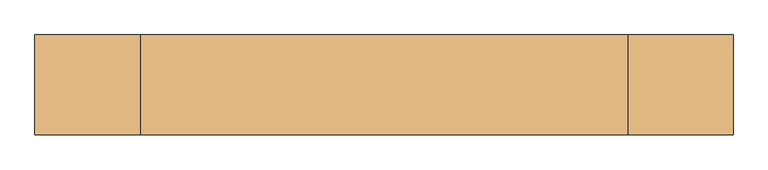
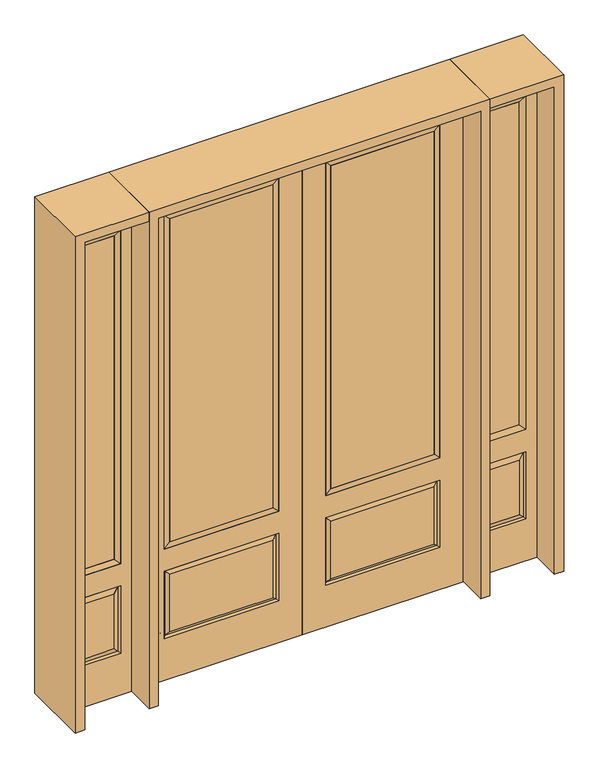
"""IFC4 building model written with IfcOpenShell, lengths in millimetres: door geometry."""

from ifc_helpers import new_model, si_unit, frame, origin, place, context, project, spatial, polyline, outline, extrude, faceted_brep, source, transform, mapped, element, save


def door_8e68d032(model_context):
    return source(origin(), model_context, "Body", "SolidModel", [
        extrude(outline(polyline([(136.525, -20.32), (136.525, 5.08), (625.475, 5.08), (625.475, -20.32), (136.525, -20.32)])), frame((0.0, 0.0, 682.498), z_axis=(0.0, 0.0, 1.0), x_axis=(1.0, 0.0, 0.0)), (0.0, 0.0, 1.0), 1616.202),
        faceted_brep([(643.7661499, -12.7912373, 216.6588501), (626.26875, -22.225, 234.15625), (135.73125, -22.225, 234.15625), (118.2338501, -12.7912373, 216.6588501), (111.125, -22.225, 209.55), (650.875, -22.225, 209.55), (650.875, -22.225, 546.1), (643.7661499, -12.7912373, 538.9911499), (0.0, -22.225, 2438.4), (0.0, -22.225, 0.0), (762.0, -22.225, 0.0), (762.0, -22.225, 2438.4), (111.125, -22.225, 546.1), (111.125, -22.225, 2324.1), (650.875, -22.225, 2324.1), (650.875, -22.225, 657.098), (111.125, -22.225, 657.098), (626.26875, -22.225, 521.49375), (135.73125, -22.225, 521.49375), (118.2338501, -12.7912373, 538.9911499), (762.0, 22.225, 0.0), (762.0, 22.225, 2438.4), (0.0, 22.225, 0.0), (0.0, 22.225, 2438.4), (111.125, 22.225, 657.098), (111.125, 22.225, 2324.1), (650.875, 22.225, 657.098), (650.875, 22.225, 2324.1), (135.73125, 22.225, 234.15625), (135.73125, 22.225, 521.49375), (626.26875, 22.225, 521.49375), (626.26875, 22.225, 234.15625), (650.875, 22.225, 209.55), (650.875, 22.225, 546.1), (111.125, 22.225, 546.1), (111.125, 22.225, 209.55), (118.2338501, 12.7912373, 216.6588501), (643.7661499, 12.7912373, 216.6588501), (118.2338501, 12.7912373, 538.9911499), (643.7661499, 12.7912373, 538.9911499)], [[[0, 1, 2, 3]], [[3, 4, 5, 0]], [[5, 6, 7, 0]], [[8, 9, 10, 11], [4, 12, 6, 5], [13, 14, 15, 16]], [[1, 17, 18, 2]], [[3, 19, 12, 4]], [[2, 18, 19, 3]], [[0, 7, 17, 1]], [[6, 12, 19, 7]], [[7, 19, 18, 17]], [[10, 20, 21, 11]], [[9, 22, 20, 10]], [[8, 23, 22, 9]], [[16, 24, 25, 13]], [[15, 26, 24, 16]], [[14, 27, 26, 15]], [[28, 29, 30, 31]], [[23, 21, 20, 22], [25, 24, 26, 27], [32, 33, 34, 35]], [[32, 35, 36, 37]], [[35, 34, 38, 36]], [[39, 38, 34, 33]], [[37, 39, 33, 32]], [[36, 28, 31, 37]], [[31, 30, 39, 37]], [[30, 29, 38, 39]], [[36, 38, 29, 28]], [[11, 21, 23, 8]], [[13, 25, 27, 14]]]),
        faceted_brep([(650.875, -22.225, 2324.1), (650.875, -22.225, 657.098), (650.875, 22.225, 657.098), (650.875, 22.225, 2324.1), (111.125, -22.225, 657.098), (111.125, 22.225, 657.098), (136.525, 5.08, 682.498), (625.475, 5.08, 682.498), (111.125, -22.225, 2324.1), (111.125, 22.225, 2324.1), (625.475, -20.32, 682.498), (136.525, -20.32, 682.498), (625.475, -20.32, 2298.7), (136.525, -20.32, 2298.7), (625.475, 5.08, 2298.7), (136.525, 5.08, 2298.7)], [[[0, 1, 2, 3]], [[1, 4, 5, 2]], [[2, 5, 6, 7]], [[4, 8, 9, 5]], [[10, 11, 4, 1]], [[12, 10, 1, 0]], [[11, 13, 8, 4]], [[7, 6, 11, 10]], [[14, 7, 10, 12]], [[6, 15, 13, 11]], [[3, 2, 7, 14]], [[5, 9, 15, 6]], [[8, 0, 3, 9]], [[13, 12, 0, 8]], [[15, 14, 12, 13]], [[9, 3, 14, 15]]]),
        faceted_brep([(806.45, -22.225, 0.0), (1111.25, -22.225, 0.0), (1111.25, -22.225, 2438.4), (806.45, -22.225, 2438.4), (1059.18, -22.225, 2325.624), (1059.18, -22.225, 657.098), (858.52, -22.225, 657.098), (858.52, -22.225, 2325.624), (1059.18, -22.225, 209.55), (858.52, -22.225, 209.55), (858.52, -22.225, 546.1), (1059.18, -22.225, 546.1), (890.2351001, -22.225, 241.2651001), (1027.4648999, -22.225, 241.2651001), (1027.4648999, -22.225, 514.3848999), (890.2351001, -22.225, 514.3848999), (806.45, 22.225, 0.0), (806.45, 22.225, 2438.4), (1111.25, 22.225, 2438.4), (1111.25, 22.225, 0.0), (1059.18, 22.225, 2325.624), (858.52, 22.225, 2325.624), (858.52, 22.225, 657.098), (1059.18, 22.225, 657.098), (858.52, 22.225, 209.55), (1059.18, 22.225, 209.55), (1059.18, 22.225, 546.1), (858.52, 22.225, 546.1), (1027.4648999, 22.225, 241.2651001), (890.2351001, 22.225, 241.2651001), (890.2351001, 22.225, 514.3848999), (1027.4648999, 22.225, 514.3848999), (1052.0711499, 12.7912373, 216.6588501), (865.6288501, 12.7912373, 216.6588501), (865.6288501, 12.7912373, 538.9911499), (1052.0711499, 12.7912373, 538.9911499), (865.6288501, -12.7912373, 216.6588501), (1052.0711499, -12.7912373, 216.6588501), (865.6288501, -12.7912373, 538.9911499), (1052.0711499, -12.7912373, 538.9911499)], [[[0, 1, 2, 3], [4, 5, 6, 7], [8, 9, 10, 11]], [[12, 13, 14, 15]], [[16, 17, 18, 19], [20, 21, 22, 23], [24, 25, 26, 27]], [[28, 29, 30, 31]], [[1, 0, 16, 19]], [[2, 1, 19, 18]], [[3, 2, 18, 17]], [[0, 3, 17, 16]], [[5, 4, 20, 23]], [[6, 5, 23, 22]], [[7, 6, 22, 21]], [[4, 7, 21, 20]], [[32, 33, 29, 28]], [[33, 32, 25, 24]], [[29, 33, 34, 30]], [[33, 24, 27, 34]], [[30, 34, 35, 31]], [[34, 27, 26, 35]], [[32, 28, 31, 35]], [[25, 32, 35, 26]], [[12, 36, 37, 13]], [[37, 36, 9, 8]], [[36, 12, 15, 38]], [[9, 36, 38, 10]], [[38, 15, 14, 39]], [[10, 38, 39, 11]], [[13, 37, 39, 14]], [[37, 8, 11, 39]]]),
        faceted_brep([(858.52, 22.225, 2325.624), (858.52, -22.225, 2325.624), (1059.18, -22.225, 2325.624), (1059.18, 22.225, 2325.624), (883.92, 12.7, 2300.224), (1033.78, 12.7, 2300.224), (883.92, -12.7, 2300.224), (1033.78, -12.7, 2300.224), (1059.18, -22.225, 657.098), (1059.18, 22.225, 657.098), (1033.78, 12.7, 682.498), (1033.78, -12.7, 682.498), (858.52, -22.225, 657.098), (858.52, 22.225, 657.098), (883.92, 12.7, 682.498), (883.92, -12.7, 682.498)], [[[0, 1, 2, 3]], [[4, 0, 3, 5]], [[6, 4, 5, 7]], [[1, 6, 7, 2]], [[3, 2, 8, 9]], [[5, 3, 9, 10]], [[7, 5, 10, 11]], [[2, 7, 11, 8]], [[9, 8, 12, 13]], [[10, 9, 13, 14]], [[11, 10, 14, 15]], [[8, 11, 15, 12]], [[13, 12, 1, 0]], [[14, 13, 0, 4]], [[15, 14, 4, 6]], [[12, 15, 6, 1]]]),
        extrude(outline(polyline([(1033.78, -12.7), (883.92, -12.7), (883.92, 12.7), (1033.78, 12.7), (1033.78, -12.7)])), frame((0.0, 0.0, 682.498), z_axis=(0.0, 0.0, 1.0), x_axis=(1.0, 0.0, 0.0)), (0.0, 0.0, 1.0), 1617.726),
        faceted_brep([(-1111.25, -22.225, 0.0), (-806.45, -22.225, 0.0), (-806.45, -22.225, 2438.4), (-1111.25, -22.225, 2438.4), (-858.52, -22.225, 2325.624), (-858.52, -22.225, 657.098), (-1059.18, -22.225, 657.098), (-1059.18, -22.225, 2325.624), (-858.52, -22.225, 209.55), (-1059.18, -22.225, 209.55), (-1059.18, -22.225, 546.1), (-858.52, -22.225, 546.1), (-1027.4648999, -22.225, 241.2651001), (-890.2351001, -22.225, 241.2651001), (-890.2351001, -22.225, 514.3848999), (-1027.4648999, -22.225, 514.3848999), (-1111.25, 22.225, 0.0), (-1111.25, 22.225, 2438.4), (-806.45, 22.225, 2438.4), (-806.45, 22.225, 0.0), (-858.52, 22.225, 2325.624), (-1059.18, 22.225, 2325.624), (-1059.18, 22.225, 657.098), (-858.52, 22.225, 657.098), (-1059.18, 22.225, 209.55), (-858.52, 22.225, 209.55), (-858.52, 22.225, 546.1), (-1059.18, 22.225, 546.1), (-890.2351001, 22.225, 241.2651001), (-1027.4648999, 22.225, 241.2651001), (-1027.4648999, 22.225, 514.3848999), (-890.2351001, 22.225, 514.3848999), (-865.6288501, 12.7912373, 216.6588501), (-1052.0711499, 12.7912373, 216.6588501), (-1052.0711499, 12.7912373, 538.9911499), (-865.6288501, 12.7912373, 538.9911499), (-1052.0711499, -12.7912373, 216.6588501), (-865.6288501, -12.7912373, 216.6588501), (-1052.0711499, -12.7912373, 538.9911499), (-865.6288501, -12.7912373, 538.9911499)], [[[0, 1, 2, 3], [4, 5, 6, 7], [8, 9, 10, 11]], [[12, 13, 14, 15]], [[16, 17, 18, 19], [20, 21, 22, 23], [24, 25, 26, 27]], [[28, 29, 30, 31]], [[1, 0, 16, 19]], [[2, 1, 19, 18]], [[3, 2, 18, 17]], [[0, 3, 17, 16]], [[5, 4, 20, 23]], [[6, 5, 23, 22]], [[7, 6, 22, 21]], [[4, 7, 21, 20]], [[32, 33, 29, 28]], [[33, 32, 25, 24]], [[29, 33, 34, 30]], [[33, 24, 27, 34]], [[30, 34, 35, 31]], [[34, 27, 26, 35]], [[32, 28, 31, 35]], [[25, 32, 35, 26]], [[12, 36, 37, 13]], [[37, 36, 9, 8]], [[36, 12, 15, 38]], [[9, 36, 38, 10]], [[38, 15, 14, 39]], [[10, 38, 39, 11]], [[13, 37, 39, 14]], [[37, 8, 11, 39]]]),
        faceted_brep([(-1059.18, 22.225, 2325.624), (-1059.18, -22.225, 2325.624), (-858.52, -22.225, 2325.624), (-858.52, 22.225, 2325.624), (-1033.78, 12.7, 2300.224), (-883.92, 12.7, 2300.224), (-1033.78, -12.7, 2300.224), (-883.92, -12.7, 2300.224), (-858.52, -22.225, 657.098), (-858.52, 22.225, 657.098), (-883.92, 12.7, 682.498), (-883.92, -12.7, 682.498), (-1059.18, -22.225, 657.098), (-1059.18, 22.225, 657.098), (-1033.78, 12.7, 682.498), (-1033.78, -12.7, 682.498)], [[[0, 1, 2, 3]], [[4, 0, 3, 5]], [[6, 4, 5, 7]], [[1, 6, 7, 2]], [[3, 2, 8, 9]], [[5, 3, 9, 10]], [[7, 5, 10, 11]], [[2, 7, 11, 8]], [[9, 8, 12, 13]], [[10, 9, 13, 14]], [[11, 10, 14, 15]], [[8, 11, 15, 12]], [[13, 12, 1, 0]], [[14, 13, 0, 4]], [[15, 14, 4, 6]], [[12, 15, 6, 1]]]),
        extrude(outline(polyline([(-883.92, -12.7), (-1033.78, -12.7), (-1033.78, 12.7), (-883.92, 12.7), (-883.92, -12.7)])), frame((0.0, 0.0, 682.498), z_axis=(0.0, 0.0, 1.0), x_axis=(1.0, 0.0, 0.0)), (0.0, 0.0, 1.0), 1617.726),
        extrude(outline(polyline([(-136.525, -20.32), (-625.475, -20.32), (-625.475, 5.08), (-136.525, 5.08), (-136.525, -20.32)])), frame((0.0, 0.0, 682.498), z_axis=(0.0, 0.0, 1.0), x_axis=(1.0, 0.0, 0.0)), (0.0, 0.0, 1.0), 1616.202),
        faceted_brep([(-643.7661499, -12.7912373, 216.6588501), (-118.2338501, -12.7912373, 216.6588501), (-135.73125, -22.225, 234.15625), (-626.26875, -22.225, 234.15625), (-650.875, -22.225, 209.55), (-111.125, -22.225, 209.55), (-643.7661499, -12.7912373, 538.9911499), (-650.875, -22.225, 546.1), (-135.73125, -22.225, 521.49375), (-626.26875, -22.225, 521.49375), (0.0, -22.225, 2438.4), (-762.0, -22.225, 2438.4), (-762.0, -22.225, 0.0), (0.0, -22.225, 0.0), (-111.125, -22.225, 546.1), (-111.125, -22.225, 2324.1), (-111.125, -22.225, 657.098), (-650.875, -22.225, 657.098), (-650.875, -22.225, 2324.1), (-118.2338501, -12.7912373, 538.9911499), (-762.0, 22.225, 2438.4), (-762.0, 22.225, 0.0), (0.0, 22.225, 0.0), (0.0, 22.225, 2438.4), (-111.125, 22.225, 2324.1), (-111.125, 22.225, 657.098), (-650.875, 22.225, 657.098), (-650.875, 22.225, 2324.1), (-650.875, 22.225, 209.55), (-111.125, 22.225, 209.55), (-111.125, 22.225, 546.1), (-650.875, 22.225, 546.1), (-135.73125, 22.225, 234.15625), (-626.26875, 22.225, 234.15625), (-626.26875, 22.225, 521.49375), (-135.73125, 22.225, 521.49375), (-643.7661499, 12.7912373, 216.6588501), (-118.2338501, 12.7912373, 216.6588501), (-118.2338501, 12.7912373, 538.9911499), (-643.7661499, 12.7912373, 538.9911499)], [[[0, 1, 2, 3]], [[1, 0, 4, 5]], [[4, 0, 6, 7]], [[3, 2, 8, 9]], [[10, 11, 12, 13], [5, 4, 7, 14], [15, 16, 17, 18]], [[1, 5, 14, 19]], [[2, 1, 19, 8]], [[0, 3, 9, 6]], [[7, 6, 19, 14]], [[6, 9, 8, 19]], [[12, 11, 20, 21]], [[13, 12, 21, 22]], [[10, 13, 22, 23]], [[16, 15, 24, 25]], [[17, 16, 25, 26]], [[18, 17, 26, 27]], [[23, 22, 21, 20], [28, 29, 30, 31], [24, 27, 26, 25]], [[32, 33, 34, 35]], [[28, 36, 37, 29]], [[29, 37, 38, 30]], [[39, 31, 30, 38]], [[36, 28, 31, 39]], [[37, 36, 33, 32]], [[33, 36, 39, 34]], [[34, 39, 38, 35]], [[37, 32, 35, 38]], [[11, 10, 23, 20]], [[15, 18, 27, 24]]]),
        faceted_brep([(-650.875, -22.225, 2324.1), (-650.875, 22.225, 2324.1), (-650.875, 22.225, 657.098), (-650.875, -22.225, 657.098), (-111.125, 22.225, 657.098), (-111.125, -22.225, 657.098), (-625.475, 5.08, 682.498), (-136.525, 5.08, 682.498), (-111.125, 22.225, 2324.1), (-111.125, -22.225, 2324.1), (-625.475, -20.32, 682.498), (-136.525, -20.32, 682.498), (-625.475, -20.32, 2298.7), (-136.525, -20.32, 2298.7), (-625.475, 5.08, 2298.7), (-136.525, 5.08, 2298.7)], [[[0, 1, 2, 3]], [[3, 2, 4, 5]], [[2, 6, 7, 4]], [[5, 4, 8, 9]], [[10, 3, 5, 11]], [[12, 0, 3, 10]], [[11, 5, 9, 13]], [[6, 10, 11, 7]], [[14, 12, 10, 6]], [[7, 11, 13, 15]], [[1, 14, 6, 2]], [[4, 7, 15, 8]], [[9, 8, 1, 0]], [[13, 9, 0, 12]], [[15, 13, 12, 14]], [[8, 15, 14, 1]]]),
        extrude(outline(polyline([(2438.4, -806.45), (2482.85, -806.45), (2482.85, -1155.7), (0.0, -1155.7), (0.0, -1111.25), (2438.4, -1111.25), (2438.4, -806.45)])), frame((0.0, -165.1, 0.0), z_axis=(0.0, 1.0, 0.0), x_axis=(0.0, 0.0, 1.0)), (0.0, 0.0, 1.0), 330.2),
        extrude(outline(polyline([(2482.85, -806.45), (0.0, -806.45), (0.0, -762.0), (2438.4, -762.0), (2438.4, 762.0), (0.0, 762.0), (0.0, 806.45), (2482.85, 806.45), (2482.85, -806.45)])), frame((0.0, -165.1, 0.0), z_axis=(0.0, 1.0, 0.0), x_axis=(0.0, 0.0, 1.0)), (0.0, 0.0, 1.0), 330.2),
        extrude(outline(polyline([(0.0, 1111.25), (0.0, 1155.7), (2482.85, 1155.7), (2482.85, 806.45), (2438.4, 806.45), (2438.4, 1111.25), (0.0, 1111.25)])), frame((0.0, -165.1, 0.0), z_axis=(0.0, 1.0, 0.0), x_axis=(0.0, 0.0, 1.0)), (0.0, 0.0, 1.0), 330.2),
    ])


if __name__ == "__main__":
    model = new_model("IFC4")
    model_context = context("Model", 3, world=origin())
    ifc_project = project(units=[si_unit("LENGTHUNIT", "METRE", prefix="MILLI")], contexts=[model_context])
    site = spatial("IfcSite", under=ifc_project)
    building = spatial("IfcBuilding", under=site)
    placement = place(None, origin())
    door_shape = door_8e68d032(model_context)
    element("IfcDoor", 1, at=placement, inside=building, context=model_context, shape_type="MappedRepresentation", body=[
        mapped(door_shape, transform((0.0, 0.0, 0.0), x_axis=(1.0, 0.0, 0.0), y_axis=(0.0, 1.0, 0.0), z_axis=(0.0, 0.0, 1.0))),
    ])
    save(model, "model.ifc")
